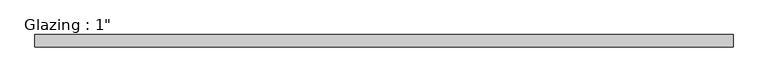
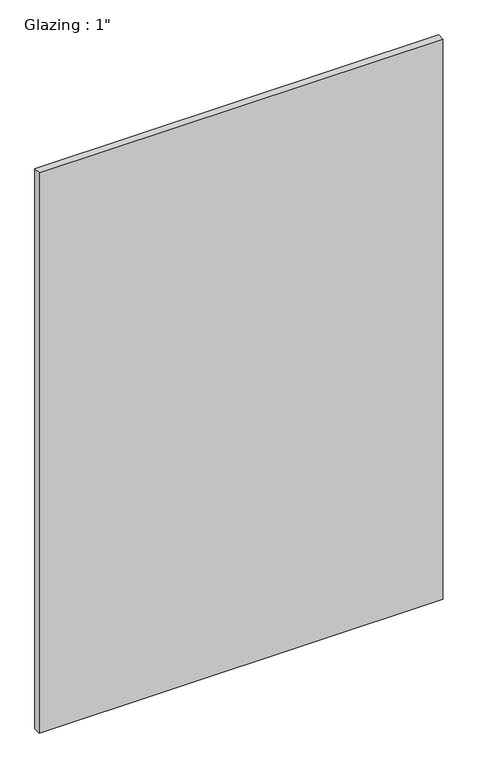
"""IFC4 building model written with IfcOpenShell, lengths in millimetres: plate geometry."""

from ifc_helpers import new_model, si_unit, origin, origin_with_axes, place, context, project, spatial, polyline, outline, extrude, source, transform, mapped, element, save


def plate_6c274d2e(model_context):
    return source(origin(), model_context, "Body", "SweptSolid", [
        extrude(outline(polyline([(713.8402241, -12.7), (-713.8402241, -12.7), (-713.8402241, 12.7), (713.8402241, 12.7), (713.8402241, -12.7)])), origin_with_axes(), (0.0, 0.0, 1.0), 2094.5430277),
    ])


if __name__ == "__main__":
    model = new_model("IFC4")
    model_context = context("Model", 3, world=origin())
    ifc_project = project(units=[si_unit("LENGTHUNIT", "METRE", prefix="MILLI")], contexts=[model_context])
    site = spatial("IfcSite", under=ifc_project)
    building = spatial("IfcBuilding", under=site)
    placement = place(None, origin())
    plate_shape = plate_6c274d2e(model_context)
    element("IfcPlate", 1, ObjectType="Glazing : 1\"", at=placement, inside=building, context=model_context, shape_type="MappedRepresentation", body=[
        mapped(plate_shape, transform((0.0, 0.0, 0.0), x_axis=(1.0, 0.0, 0.0), y_axis=(0.0, 1.0, 0.0), z_axis=(0.0, 0.0, 1.0))),
    ])
    save(model, "model.ifc")
